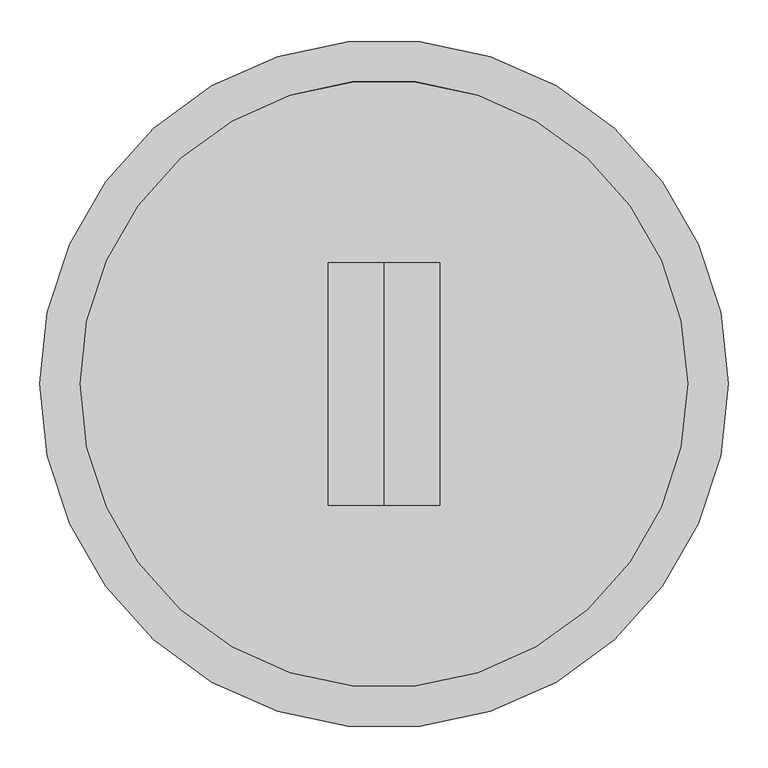
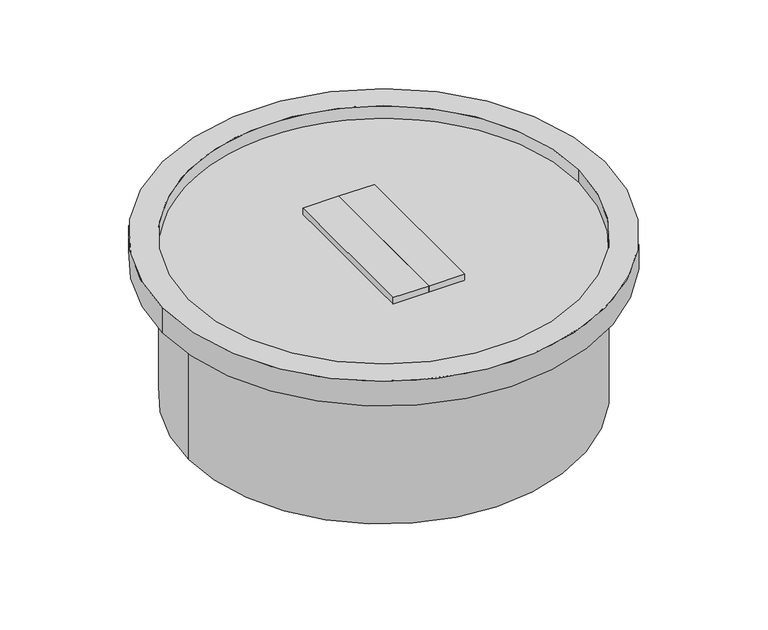
"""IFC4 building model written with IfcOpenShell, lengths in millimetres: proxy geometry."""

from ifc_helpers import new_model, si_unit, point, frame, origin, origin_with_axes, origin_2d, place, context, project, spatial, polyline, circle_curve, trimmed, segment, composite_curve, outline, extrude, source, transform, mapped, element, save


def generic_models_644be682(model_context):
    return source(origin(), model_context, "Body", "SweptSolid", [
        extrude(outline(polyline([(0.0, -152.4), (-69.85, -152.4), (-69.85, 152.4), (0.0, 152.4), (0.0, -152.4)])), frame((0.0, 0.0, 279.4), z_axis=(0.0, 0.0, 1.0), x_axis=(1.0, 0.0, 0.0)), (0.0, 0.0, 1.0), 38.1),
        extrude(outline(polyline([(0.0, -152.4), (0.0, 152.4), (69.85, 152.4), (69.85, -152.4), (0.0, -152.4)])), frame((0.0, 0.0, 279.4), z_axis=(0.0, 0.0, 1.0), x_axis=(1.0, 0.0, 0.0)), (0.0, 0.0, 1.0), 38.1),
        extrude(outline(composite_curve([segment(trimmed(circle_curve(origin_2d(), 381.0), [point((-381.0, 0.0))], [point((381.0, 0.0))], False, "CARTESIAN"), True, "CONTINUOUS"), segment(trimmed(circle_curve(origin_2d(), 381.0), [point((381.0, 0.0))], [point((-381.0, 0.0))], False, "CARTESIAN"), True, "CONTINUOUS")], self_intersect=False)), frame((0.0, 0.0, 279.4), z_axis=(0.0, 0.0, 1.0), x_axis=(1.0, 0.0, 0.0)), (0.0, 0.0, 1.0), 25.4),
        extrude(outline(composite_curve([segment(trimmed(circle_curve(origin_2d(), 431.8), [point((-431.8, 0.0))], [point((431.8, 0.0))], False, "CARTESIAN"), True, "CONTINUOUS"), segment(trimmed(circle_curve(origin_2d(), 431.8), [point((431.8, 0.0))], [point((-431.8, 0.0))], False, "CARTESIAN"), True, "CONTINUOUS")], self_intersect=False), holes=[composite_curve([segment(trimmed(circle_curve(origin_2d(), 381.0), [point((-381.0, 0.0))], [point((381.0, 0.0))], True, "CARTESIAN"), True, "CONTINUOUS"), segment(trimmed(circle_curve(origin_2d(), 381.0), [point((381.0, 0.0))], [point((-381.0, 0.0))], True, "CARTESIAN"), True, "CONTINUOUS")], self_intersect=False)]), frame((0.0, 0.0, 279.4), z_axis=(0.0, 0.0, 1.0), x_axis=(1.0, 0.0, 0.0)), (0.0, 0.0, 1.0), 50.8),
        extrude(outline(composite_curve([segment(trimmed(circle_curve(origin_2d(), 381.0), [point((-381.0, 0.0))], [point((381.0, 0.0))], False, "CARTESIAN"), True, "CONTINUOUS"), segment(trimmed(circle_curve(origin_2d(), 381.0), [point((381.0, 0.0))], [point((-381.0, 0.0))], False, "CARTESIAN"), True, "CONTINUOUS")], self_intersect=False)), origin_with_axes(), (0.0, 0.0, 1.0), 279.4),
    ])


if __name__ == "__main__":
    model = new_model("IFC4")
    model_context = context("Model", 3, world=origin())
    ifc_project = project(units=[si_unit("LENGTHUNIT", "METRE", prefix="MILLI")], contexts=[model_context])
    site = spatial("IfcSite", under=ifc_project)
    building = spatial("IfcBuilding", under=site)
    placement = place(None, origin())
    generic_models_shape = generic_models_644be682(model_context)
    element("IfcBuildingElementProxy", 1, Name="Generic Models", at=placement, inside=building, context=model_context, shape_type="MappedRepresentation", body=[
        mapped(generic_models_shape, transform((0.0, 0.0, 0.0), x_axis=(1.0, 0.0, 0.0), y_axis=(0.0, 1.0, 0.0), z_axis=(0.0, 0.0, 1.0))),
    ])
    save(model, "model.ifc")
